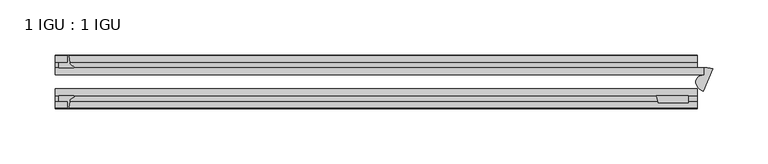
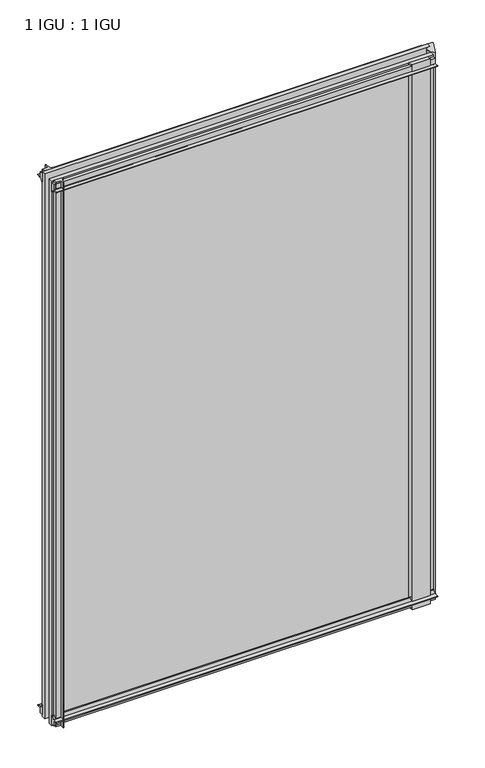
"""IFC4 building model written with IfcOpenShell, lengths in millimetres: plate geometry, 1 IGU : 1 IGU."""

import ifcopenshell
import ifcopenshell.guid

model = None  # the IFC model being written
_history = None  # IfcOwnerHistory: only IFC2X3 demands one
_inside = {}  # id of a spatial element -> (the spatial element, [elements in it])
_under = {}  # id of a project, library or spatial element -> (it, [spatial elements below it])
_declared = {}  # id of a project -> (the project, [libraries it declares])
_typed = {}  # id of a type object -> (the type object, [elements of that type])
_made_of = {}  # id of a material, layer set ... -> (it, [elements and type objects made of it])


def new_model(schema):
    """Start an empty IFC model of exactly this schema.

    Asked for "IFC4X3", IfcOpenShell would pick the latest addendum, in which some entities
    have other attributes; the version numbers below select the first issue.
    IFC2X3 requires an IfcOwnerHistory on every rooted entity: one is made here for all.
    """
    global model, _history
    if schema == "IFC4X3":
        model = ifcopenshell.file(schema_version=(4, 3, 0, 0))
    else:
        model = ifcopenshell.file(schema=schema)
    _inside.clear()
    _under.clear()
    _declared.clear()
    _typed.clear()
    _made_of.clear()
    _history = None
    if model.schema == "IFC2X3":
        org = make("IfcOrganization", Name="unknown")
        user = make(
            "IfcPersonAndOrganization",
            ThePerson=make("IfcPerson", FamilyName="unknown"),
            TheOrganization=org,
        )
        app = make(
            "IfcApplication",
            ApplicationDeveloper=org,
            Version="unknown",
            ApplicationFullName="unknown",
            ApplicationIdentifier="unknown",
        )
        _history = make(
            "IfcOwnerHistory",
            OwningUser=user,
            OwningApplication=app,
            ChangeAction="ADDED",
            CreationDate=0,
        )
    return model


def make(cls, **values):
    """One entity of the class cls with the attributes given. An attribute that is None is left unset."""
    return model.create_entity(
        cls, **{name: value for name, value in values.items() if value is not None}
    )


def rooted(cls, **values):
    """An entity with a GlobalId (a new one), such as an element, a storey or a relation."""
    return make(cls, GlobalId=ifcopenshell.guid.new(), OwnerHistory=_history, **values)


def si_unit(unit_type, name, prefix=None):
    """IfcSIUnit, for example si_unit("LENGTHUNIT", "METRE", prefix="MILLI")."""
    return make("IfcSIUnit", UnitType=unit_type, Prefix=prefix, Name=name)


def assignment(units):
    """IfcUnitAssignment: the units of a project."""
    return None if units is None else make("IfcUnitAssignment", Units=units)


def point(xyz):
    """IfcCartesianPoint."""
    return None if xyz is None else make("IfcCartesianPoint", Coordinates=xyz)


def direction(xyz):
    """IfcDirection."""
    return None if xyz is None else make("IfcDirection", DirectionRatios=xyz)


def frame(location, z_axis=None, x_axis=None):
    """IfcAxis2Placement3D, a coordinate frame: its origin and axes. An axis left out is left unset."""
    return make(
        "IfcAxis2Placement3D",
        Location=point(location),
        Axis=direction(z_axis),
        RefDirection=direction(x_axis),
    )


def frame_2d(location, x_axis=None):
    """IfcAxis2Placement2D, a coordinate frame in the plane: its origin and x axis."""
    return make(
        "IfcAxis2Placement2D", Location=point(location), RefDirection=direction(x_axis)
    )


def origin():
    """The frame at (0, 0, 0) with its axes left unset."""
    return frame((0.0, 0.0, 0.0))


def place(relative_to, where):
    """IfcLocalPlacement: puts the frame where relative to a parent placement (None: the world)."""
    return make(
        "IfcLocalPlacement", PlacementRelTo=relative_to, RelativePlacement=where
    )


def context(
    kind, dimensions, precision=None, world=None, true_north=None, identifier=None
):
    """IfcGeometricRepresentationContext, for example the 3D "Model" context."""
    return make(
        "IfcGeometricRepresentationContext",
        ContextIdentifier=identifier,
        ContextType=kind,
        CoordinateSpaceDimension=dimensions,
        Precision=precision,
        WorldCoordinateSystem=world,
        TrueNorth=true_north,
    )


def project(units=None, contexts=None):
    """IfcProject with its units and contexts."""
    return rooted(
        "IfcProject",
        Name="project",
        RepresentationContexts=contexts,
        UnitsInContext=assignment(units),
    )


def spatial(cls, under=None, at=None, **own):
    """A site, building, storey or space (cls), placed at a placement, below another one or the project."""
    s = rooted(cls, ObjectPlacement=at, **own)
    if under is not None:
        _under.setdefault(under.id(), (under, []))[1].append(s)
    return s


def polyline(points):
    """IfcPolyline through the points."""
    return make("IfcPolyline", Points=[point(p) for p in points])


def circle_curve(where, radius):
    """IfcCircle in the frame where."""
    return make("IfcCircle", Position=where, Radius=radius)


def ellipse_curve(where, semi_axis1, semi_axis2):
    """IfcEllipse in the frame where."""
    return make(
        "IfcEllipse", Position=where, SemiAxis1=semi_axis1, SemiAxis2=semi_axis2
    )


def trimmed(basis, trim1, trim2, sense, master):
    """IfcTrimmedCurve: the piece of a basis curve between two trims."""
    return make(
        "IfcTrimmedCurve",
        BasisCurve=basis,
        Trim1=trim1,
        Trim2=trim2,
        SenseAgreement=sense,
        MasterRepresentation=master,
    )


def segment(curve, same_sense, transition):
    """IfcCompositeCurveSegment."""
    return make(
        "IfcCompositeCurveSegment",
        Transition=transition,
        SameSense=same_sense,
        ParentCurve=curve,
    )


def composite_curve(segments, self_intersect=None):
    """IfcCompositeCurve: segments joined end to end."""
    return make("IfcCompositeCurve", Segments=segments, SelfIntersect=self_intersect)


def outline(outer, holes=None, kind="AREA"):
    """IfcArbitraryClosedProfileDef: a profile drawn as a closed curve; with holes, ...WithVoids."""
    if holes is None:
        return make("IfcArbitraryClosedProfileDef", ProfileType=kind, OuterCurve=outer)
    return make(
        "IfcArbitraryProfileDefWithVoids",
        ProfileType=kind,
        OuterCurve=outer,
        InnerCurves=holes,
    )


def extrude(swept, where, along, depth):
    """IfcExtrudedAreaSolid: the profile swept, set in the frame where, extruded along a direction by depth."""
    return make(
        "IfcExtrudedAreaSolid",
        SweptArea=swept,
        Position=where,
        ExtrudedDirection=direction(along),
        Depth=depth,
    )


def shape(context_of_items, identifier, shape_type, items):
    """IfcShapeRepresentation: the items that make up one representation, for example the "Body"."""
    return make(
        "IfcShapeRepresentation",
        ContextOfItems=context_of_items,
        RepresentationIdentifier=identifier,
        RepresentationType=shape_type,
        Items=items,
    )


def source(mapping_origin, context_of_items, identifier, shape_type, items):
    """IfcRepresentationMap: a shape defined once, which mapped items show again and again."""
    return make(
        "IfcRepresentationMap",
        MappingOrigin=mapping_origin,
        MappedRepresentation=shape(context_of_items, identifier, shape_type, items),
    )


def transform(
    local_origin,
    x_axis=None,
    y_axis=None,
    z_axis=None,
    scale=None,
    scale2=None,
    scale3=None,
    uniform=True,
):
    """IfcCartesianTransformationOperator3D, or its non-uniform kind. x_axis, y_axis, z_axis: its Axis1, 2, 3."""
    if uniform:
        return make(
            "IfcCartesianTransformationOperator3D",
            Axis1=direction(x_axis),
            Axis2=direction(y_axis),
            LocalOrigin=point(local_origin),
            Scale=scale,
            Axis3=direction(z_axis),
        )
    return make(
        "IfcCartesianTransformationOperator3DnonUniform",
        Axis1=direction(x_axis),
        Axis2=direction(y_axis),
        LocalOrigin=point(local_origin),
        Scale=scale,
        Axis3=direction(z_axis),
        Scale2=scale2,
        Scale3=scale3,
    )


def mapped(mapping_source, mapping_target):
    """IfcMappedItem: shows the shape of a source again, moved by a transform."""
    return make(
        "IfcMappedItem", MappingSource=mapping_source, MappingTarget=mapping_target
    )


def made_of(thing, what):
    """Note that an element or type object is made of a material, layer set ...; save() writes the relation."""
    if what is not None:
        _made_of.setdefault(what.id(), (what, []))[1].append(thing)
    return thing


def element(
    cls,
    number,
    at=None,
    inside=None,
    cuts=None,
    type_object=None,
    material=None,
    context=None,
    identifier="Body",
    shape_type=None,
    held_by="IfcProductDefinitionShape",
    body=None,
    shapes=None,
    **own,
):
    """One element of the class cls, such as IfcWall. Its Tag is "e" and its number.

    at: its placement. inside: the storey or other place that contains it. cuts: it is an
    opening in that element (IfcRelVoidsElement). A single representation is given by context,
    identifier, shape_type and body (its items); several are given by shapes. held_by: the class
    of the entity that holds the representations. save() writes the other relations.
    """
    e = rooted(cls, Tag="e%d" % number, ObjectPlacement=at, **own)
    if body is not None:
        shapes = [shape(context, identifier, shape_type, body)]
    if shapes is not None:
        e.Representation = make(held_by, Representations=shapes)
    if inside is not None:
        _inside.setdefault(inside.id(), (inside, []))[1].append(e)
    if cuts is not None:
        rooted(
            "IfcRelVoidsElement", RelatingBuildingElement=cuts, RelatedOpeningElement=e
        )
    if type_object is not None:
        _typed.setdefault(type_object.id(), (type_object, []))[1].append(e)
    return made_of(e, material)


def aggregate(whole, parts):
    """IfcRelAggregates: a whole, such as a stair, and the parts it consists of."""
    return rooted("IfcRelAggregates", RelatingObject=whole, RelatedObjects=parts)


def save(model, path):
    """Write the relations noted so far, then the file.

    IfcRelAggregates (storeys below a building ...), IfcRelContainedInSpatialStructure (elements
    in a storey), IfcRelDefinesByType, IfcRelAssociatesMaterial and IfcRelDeclares: one each for
    every whole, place, type object, material and project.
    """
    for whole, parts in _under.values():
        aggregate(whole, parts)
    for where, things in _inside.values():
        rooted(
            "IfcRelContainedInSpatialStructure",
            RelatedElements=things,
            RelatingStructure=where,
        )
    for kind, things in _typed.values():
        rooted("IfcRelDefinesByType", RelatedObjects=things, RelatingType=kind)
    for what, things in _made_of.values():
        rooted("IfcRelAssociatesMaterial", RelatedObjects=things, RelatingMaterial=what)
    for by, libraries in _declared.values():
        rooted("IfcRelDeclares", RelatingContext=by, RelatedDefinitions=libraries)
    model.write(path)


def plane_surface(at):
    """IfcPlane: the flat surface through the origin of the frame at, square to its z axis."""
    return make("IfcPlane", Position=at)


def cylinder_surface(at, radius):
    """IfcCylindricalSurface: all points at the distance radius from the z axis of the frame at."""
    return make("IfcCylindricalSurface", Position=at, Radius=radius)


def extruded_surface(curve, direction_of_extrusion, depth):
    """IfcSurfaceOfLinearExtrusion: the curve pushed along a direction by depth."""
    return make(
        "IfcSurfaceOfLinearExtrusion",
        SweptCurve=make("IfcArbitraryOpenProfileDef", ProfileType="CURVE", Curve=curve),
        ExtrudedDirection=direction(direction_of_extrusion),
        Depth=depth,
    )


def advanced_brep(points, edges, surfaces, faces):
    """IfcAdvancedBrep: a solid bounded by faces that lie on surfaces and meet in shared edges.

    An edge is (start, end): straight between two places in points (the first is 0);
    or (start, end, curve); or (start, end, curve, False) where it runs against its curve.
    A face is (place in surfaces, loops), or (place, loops, False) where it looks against
    its surface's normal. A loop lists edges by number (the first is 1), with a minus sign
    where the edge is run from its end to its start. The first loop is the outer one.
    """
    corners = [point(p) for p in points]
    vertices = [make("IfcVertexPoint", VertexGeometry=c) for c in corners]
    made = []
    for start, end, *more in edges:
        made.append(
            make(
                "IfcEdgeCurve",
                EdgeStart=vertices[start],
                EdgeEnd=vertices[end],
                EdgeGeometry=more[0] if more else make("IfcPolyline", Points=[corners[start], corners[end]]),
                SameSense=more[1] if len(more) > 1 else True,
            )
        )
    hull = []
    for where, loops, *sense in faces:
        bounds = []
        for j, loop in enumerate(loops):
            ring = [make("IfcOrientedEdge", EdgeElement=made[abs(k) - 1], Orientation=k > 0) for k in loop]
            bounds.append(
                make(
                    "IfcFaceOuterBound" if j == 0 else "IfcFaceBound",
                    Bound=make("IfcEdgeLoop", EdgeList=ring),
                    Orientation=True,
                )
            )
        hull.append(make("IfcAdvancedFace", Bounds=bounds, FaceSurface=surfaces[where], SameSense=sense[0] if sense else True))
    return make("IfcAdvancedBrep", Outer=make("IfcClosedShell", CfsFaces=hull))


def plate_1_igu_1_igu_6849ceef(model_context):
    return source(origin(), model_context, "Body", "SolidModel", [
        advanced_brep(
        [(279.5376984, -38.0794867, -11.1125), (280.2699435, -23.2494095, -11.1125), (280.2699435, -16.9267187, -11.1125), (283.0389496, -16.9267187, -11.1125), (287.8990292, -17.8934487, -11.1125), (279.5376984, -38.0794867, 865.1873985), (287.8990292, -17.8934487, 865.1873985), (283.0389496, -16.9267187, 865.1873985), (280.2699435, -16.9267187, 865.1873985), (280.2699435, -23.2494095, 865.1873985)],
        [
            (0, 1, ellipse_curve(frame((282.4003348, -31.1684713, -11.1125), z_axis=(0.0, 0.0, -1.0), x_axis=(0.9238795325112836, -0.3826834323650975, 0.0)), 10.1046575, 7.4804292)),
            (1, 2),
            (2, 3),
            (3, 4, circle_curve(frame((283.0389496, -29.6267187, -11.1125), z_axis=(0.0, 0.0, -1.0), x_axis=(1.0, 0.0, 0.0)), 12.7)),
            (4, 0),
            (5, 6),
            (6, 7, circle_curve(frame((283.0389496, -29.6267187, 865.1873985), z_axis=(0.0, 0.0, 1.0), x_axis=(1.0, 0.0, 0.0)), 12.7)),
            (7, 8),
            (8, 9),
            (9, 5, ellipse_curve(frame((282.4003348, -31.1684713, 865.1873985), z_axis=(0.0, 0.0, 1.0), x_axis=(0.9238795325112836, -0.3826834323650975, 0.0)), 10.1046575, 7.4804292)),
            (0, 5),
            (9, 1),
            (8, 2),
            (7, 3),
            (6, 4),
        ],
        [
            plane_surface(frame((280.2699435, -9.6242188, -11.1125), z_axis=(0.0, 0.0, -1.0), x_axis=(0.0, 1.0, 0.0))),
            plane_surface(frame((280.2699435, -9.6242188, 865.1873985), z_axis=(0.0, 0.0, 1.0), x_axis=(0.0, 1.0, 0.0))),
            extruded_surface(trimmed(ellipse_curve(frame((282.4003348, -31.1684713, 865.1873985), z_axis=(0.0, 0.0, -1.0), x_axis=(0.9238795325112836, -0.3826834323650975, 0.0)), 10.1046575, 7.4804292), [point((279.5376984, -38.0794867, 865.1873985))], [point((280.2699435, -23.2494095, 865.1873985))], True, "CARTESIAN"), (0.0, 0.0, -876.2998984999999), 876.2998984999999),
            plane_surface(frame((280.2699435, -23.2494095, -11.1125), z_axis=(-1.0, 0.0, 0.0), x_axis=(0.0, 0.0, 1.0))),
            plane_surface(frame((280.2699435, -16.9267187, -11.1125), z_axis=(0.0, 1.0, 0.0), x_axis=(0.0, 0.0, 1.0))),
            cylinder_surface(frame((283.0389496, -29.6267187, -11.1125), z_axis=(0.0, 0.0, -1.0), x_axis=(1.0, 0.0, 0.0)), 12.7),
            plane_surface(frame((287.8990292, -17.8934487, -11.1125), z_axis=(0.9238795325112925, -0.38268343236507585, 0.0), x_axis=(0.0, 0.0, 1.0))),
        ],
        [
            (0, [[1, 2, 3, 4, 5]]),
            (1, [[6, 7, 8, 9, 10]]),
            (2, [[-1, 11, -10, 12]]),
            (3, [[-2, -12, -9, 13]]),
            (4, [[-3, -13, -8, 14]]),
            (5, [[-4, -14, -7, 15]]),
            (6, [[-5, -15, -6, -11]]),
        ],
    ),
        extrude(outline(composite_curve([segment(polyline([(-42.3267187, -8.2068385), (-47.0892187, -8.2068385), (-47.0892187, 0.0), (-53.563779, 0.0)]), True, "CONTINUOUS"), segment(trimmed(circle_curve(frame_2d((-53.0328134, 0.3482823)), 0.635), [point((-53.563779, 0.0))], [point((-53.0575397, 0.9828007))], False, "CARTESIAN"), True, "CONTINUOUS"), segment(trimmed(circle_curve(frame_2d((-54.2310045, 31.0958559)), 30.1359106), [point((-53.0575397, 0.9828007))], [point((-47.0834032, 1.8198434))], True, "CARTESIAN"), True, "CONTINUOUS"), segment(trimmed(circle_curve(frame_2d((-48.2159797, 6.4587878)), 4.7752), [point((-47.0834032, 1.8198434))], [point((-43.578416, 5.3205707))], True, "CARTESIAN"), True, "CONTINUOUS"), segment(trimmed(circle_curve(frame_2d((-42.9617187, 5.169212)), 0.635), [point((-43.578416, 5.3205707))], [point((-42.3267187, 5.169212))], False, "CARTESIAN"), True, "CONTINUOUS"), segment(polyline([(-42.3267187, 5.169212), (-42.3267187, -8.2068385)]), True, "CONTINUOUS")], self_intersect=False)), frame((-306.4636935, 0.0, 0.0), z_axis=(1.0, 0.0, 0.0), x_axis=(0.0, 1.0, 0.0)), (0.0, 0.0, 1.0), 580.383637),
        extrude(outline(composite_curve([segment(polyline([(-16.9267187, -8.2068385), (-16.9267187, 5.169212)]), True, "CONTINUOUS"), segment(trimmed(circle_curve(frame_2d((-16.2917187, 5.169212)), 0.635), [point((-16.9267187, 5.169212))], [point((-15.6750215, 5.3205707))], False, "CARTESIAN"), True, "CONTINUOUS"), segment(trimmed(circle_curve(frame_2d((-11.0374578, 6.4587878)), 4.7752), [point((-15.6750215, 5.3205707))], [point((-12.1700343, 1.8198434))], True, "CARTESIAN"), True, "CONTINUOUS"), segment(trimmed(circle_curve(frame_2d((-5.022433, 31.0958559)), 30.1359106), [point((-12.1700343, 1.8198434))], [point((-6.1958978, 0.9828007))], True, "CARTESIAN"), True, "CONTINUOUS"), segment(trimmed(circle_curve(frame_2d((-6.2206241, 0.3482823)), 0.635), [point((-6.1958978, 0.9828007))], [point((-5.6896585, 0.0))], False, "CARTESIAN"), True, "CONTINUOUS"), segment(polyline([(-5.6896585, 0.0), (-12.1642187, 0.0), (-12.1642187, -8.2068385), (-16.9267187, -8.2068385)]), True, "CONTINUOUS")], self_intersect=False)), frame((-306.4636935, 0.0, 0.0), z_axis=(1.0, 0.0, 0.0), x_axis=(0.0, 1.0, 0.0)), (0.0, 0.0, 1.0), 580.383637),
        extrude(outline(composite_curve([segment(polyline([(-47.0892188, 854.0748985), (-47.0892188, 862.281737), (-42.3267188, 862.281737), (-42.3267188, 848.9056865)]), True, "CONTINUOUS"), segment(trimmed(circle_curve(frame_2d((-42.9617187, 848.9056865)), 0.635), [point((-42.3267188, 848.9056865))], [point((-43.578416, 848.7543278))], False, "CARTESIAN"), True, "CONTINUOUS"), segment(trimmed(circle_curve(frame_2d((-48.2159797, 847.6161107)), 4.7752), [point((-43.578416, 848.7543278))], [point((-47.0834032, 852.2550551))], True, "CARTESIAN"), True, "CONTINUOUS"), segment(trimmed(circle_curve(frame_2d((-54.2310045, 822.9790426)), 30.1359106), [point((-47.0834032, 852.2550551))], [point((-53.0575397, 853.0920978))], True, "CARTESIAN"), True, "CONTINUOUS"), segment(trimmed(circle_curve(frame_2d((-53.0328134, 853.7266162)), 0.635), [point((-53.0575397, 853.0920978))], [point((-53.563779, 854.0748985))], False, "CARTESIAN"), True, "CONTINUOUS"), segment(polyline([(-53.563779, 854.0748985), (-47.0892188, 854.0748985)]), True, "CONTINUOUS")], self_intersect=False)), frame((-306.4636935, 0.0, 0.0), z_axis=(1.0, 0.0, 0.0), x_axis=(0.0, 1.0, 0.0)), (0.0, 0.0, 1.0), 580.383637),
        extrude(outline(composite_curve([segment(polyline([(-12.1642187, 854.0748985), (-5.6896585, 854.0748985)]), True, "CONTINUOUS"), segment(trimmed(circle_curve(frame_2d((-6.2206241, 853.7266162)), 0.635), [point((-5.6896585, 854.0748985))], [point((-6.1958978, 853.0920978))], False, "CARTESIAN"), True, "CONTINUOUS"), segment(trimmed(circle_curve(frame_2d((-5.022433, 822.9790426)), 30.1359106), [point((-6.1958978, 853.0920978))], [point((-12.1700343, 852.2550551))], True, "CARTESIAN"), True, "CONTINUOUS"), segment(trimmed(circle_curve(frame_2d((-11.0374578, 847.6161107)), 4.7752), [point((-12.1700343, 852.2550551))], [point((-15.6750215, 848.7543278))], True, "CARTESIAN"), True, "CONTINUOUS"), segment(trimmed(circle_curve(frame_2d((-16.2917188, 848.9056865)), 0.635), [point((-15.6750215, 848.7543278))], [point((-16.9267188, 848.9056865))], False, "CARTESIAN"), True, "CONTINUOUS"), segment(polyline([(-16.9267188, 848.9056865), (-16.9267187, 862.281737), (-12.1642187, 862.281737), (-12.1642187, 854.0748985)]), True, "CONTINUOUS")], self_intersect=False)), frame((-306.4636935, 0.0, 0.0), z_axis=(1.0, 0.0, 0.0), x_axis=(0.0, 1.0, 0.0)), (0.0, 0.0, 1.0), 580.383637),
        extrude(outline(composite_curve([segment(polyline([(265.8832248, -42.3267187), (265.8832248, -48.6767187), (238.4946428, -48.6767187)]), True, "CONTINUOUS"), segment(trimmed(circle_curve(frame_2d((226.7364485, -48.2428298)), 11.7661971), [point((238.4946428, -48.6767187))], [point((236.9071428, -42.3267187))], True, "CARTESIAN"), True, "CONTINUOUS"), segment(polyline([(236.9071428, -42.3267187), (265.8832248, -42.3267187)]), True, "CONTINUOUS")], self_intersect=False)), frame((0.0, 0.0, -11.1125), z_axis=(0.0, 0.0, 1.0), x_axis=(1.0, 0.0, 0.0)), (0.0, 0.0, 1.0), 876.2998985),
        extrude(outline(composite_curve([segment(trimmed(circle_curve(frame_2d((-295.0029112, -6.2206241)), 0.635), [point((-295.3511935, -5.6896585))], [point((-294.3683928, -6.1958978))], False, "CARTESIAN"), True, "CONTINUOUS"), segment(trimmed(circle_curve(frame_2d((-264.2553376, -5.022433)), 30.1359106), [point((-294.3683928, -6.1958978))], [point((-293.5313501, -12.1700343))], True, "CARTESIAN"), True, "CONTINUOUS"), segment(trimmed(circle_curve(frame_2d((-288.8924057, -11.0374578)), 4.7752), [point((-293.5313501, -12.1700343))], [point((-290.0306228, -15.6750215))], True, "CARTESIAN"), True, "CONTINUOUS"), segment(trimmed(circle_curve(frame_2d((-290.1819815, -16.2917187)), 0.635), [point((-290.0306228, -15.6750215))], [point((-290.1819815, -16.9267187))], False, "CARTESIAN"), True, "CONTINUOUS"), segment(polyline([(-290.1819815, -16.9267187), (-303.558032, -16.9267187), (-303.558032, -12.1642187), (-295.3511935, -12.1642187), (-295.3511935, -5.6896585)]), True, "CONTINUOUS")], self_intersect=False)), frame((0.0, 0.0, -11.1125), z_axis=(0.0, 0.0, 1.0), x_axis=(1.0, 0.0, 0.0)), (0.0, 0.0, 1.0), 876.2998985),
        extrude(outline(composite_curve([segment(polyline([(-295.3511935, -53.563779), (-295.3511935, -47.0892187), (-303.558032, -47.0892187), (-303.558032, -42.3267188), (-290.1819815, -42.3267188)]), True, "CONTINUOUS"), segment(trimmed(circle_curve(frame_2d((-290.1819815, -42.9617187)), 0.635), [point((-290.1819815, -42.3267188))], [point((-290.0306228, -43.578416))], False, "CARTESIAN"), True, "CONTINUOUS"), segment(trimmed(circle_curve(frame_2d((-288.8924057, -48.2159797)), 4.7752), [point((-290.0306228, -43.578416))], [point((-293.5313501, -47.0834032))], True, "CARTESIAN"), True, "CONTINUOUS"), segment(trimmed(circle_curve(frame_2d((-264.2553376, -54.2310045)), 30.1359106), [point((-293.5313501, -47.0834032))], [point((-294.3683928, -53.0575397))], True, "CARTESIAN"), True, "CONTINUOUS"), segment(trimmed(circle_curve(frame_2d((-295.0029112, -53.0328134)), 0.635), [point((-294.3683928, -53.0575397))], [point((-295.3511935, -53.563779))], False, "CARTESIAN"), True, "CONTINUOUS")], self_intersect=False)), frame((0.0, 0.0, -11.1125), z_axis=(0.0, 0.0, 1.0), x_axis=(1.0, 0.0, 0.0)), (0.0, 0.0, 1.0), 876.2998985),
        extrude(outline(polyline([(280.2699435, -16.9267187), (280.2699435, -23.2259187), (-306.4636935, -23.2259187), (-306.4636935, -16.9267187), (280.2699435, -16.9267187)])), frame((0.0, 0.0, -11.1125), z_axis=(0.0, 0.0, 1.0), x_axis=(1.0, 0.0, 0.0)), (0.0, 0.0, 1.0), 876.2998985),
        extrude(outline(polyline([(273.9199435, -36.0275187), (273.9199435, -42.3267187), (-306.4636935, -42.3267187), (-306.4636935, -36.0275187), (273.9199435, -36.0275187)])), frame((0.0, 0.0, -11.1125), z_axis=(0.0, 0.0, 1.0), x_axis=(1.0, 0.0, 0.0)), (0.0, 0.0, 1.0), 876.2998985),
    ])


if __name__ == "__main__":
    model = new_model("IFC4")
    model_context = context("Model", 3, world=origin())
    ifc_project = project(units=[si_unit("LENGTHUNIT", "METRE", prefix="MILLI")], contexts=[model_context])
    site = spatial("IfcSite", under=ifc_project)
    building = spatial("IfcBuilding", under=site)
    placement = place(None, origin())
    plate_1_igu_1_igu_shape = plate_1_igu_1_igu_6849ceef(model_context)
    element("IfcPlate", 1, ObjectType="1 IGU : 1 IGU", at=placement, inside=building, context=model_context, shape_type="MappedRepresentation", body=[
        mapped(plate_1_igu_1_igu_shape, transform((0.0, 0.0, 0.0), x_axis=(1.0, 0.0, 0.0), y_axis=(0.0, 1.0, 0.0), z_axis=(0.0, 0.0, 1.0))),
    ])
    save(model, "model.ifc")
